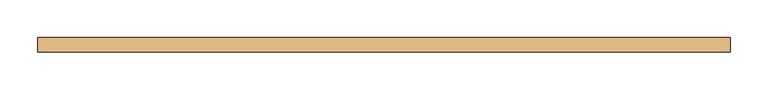
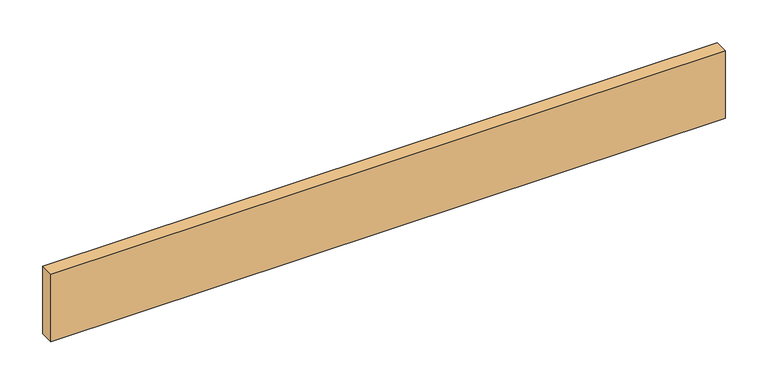
"""IFC4 building model written with IfcOpenShell, lengths in millimetres: door geometry."""

import ifcopenshell
import ifcopenshell.guid

model = None  # the IFC model being written
_history = None  # IfcOwnerHistory: only IFC2X3 demands one
_inside = {}  # id of a spatial element -> (the spatial element, [elements in it])
_under = {}  # id of a project, library or spatial element -> (it, [spatial elements below it])
_declared = {}  # id of a project -> (the project, [libraries it declares])
_typed = {}  # id of a type object -> (the type object, [elements of that type])
_made_of = {}  # id of a material, layer set ... -> (it, [elements and type objects made of it])


def new_model(schema):
    """Start an empty IFC model of exactly this schema.

    Asked for "IFC4X3", IfcOpenShell would pick the latest addendum, in which some entities
    have other attributes; the version numbers below select the first issue.
    IFC2X3 requires an IfcOwnerHistory on every rooted entity: one is made here for all.
    """
    global model, _history
    if schema == "IFC4X3":
        model = ifcopenshell.file(schema_version=(4, 3, 0, 0))
    else:
        model = ifcopenshell.file(schema=schema)
    _inside.clear()
    _under.clear()
    _declared.clear()
    _typed.clear()
    _made_of.clear()
    _history = None
    if model.schema == "IFC2X3":
        org = make("IfcOrganization", Name="unknown")
        user = make(
            "IfcPersonAndOrganization",
            ThePerson=make("IfcPerson", FamilyName="unknown"),
            TheOrganization=org,
        )
        app = make(
            "IfcApplication",
            ApplicationDeveloper=org,
            Version="unknown",
            ApplicationFullName="unknown",
            ApplicationIdentifier="unknown",
        )
        _history = make(
            "IfcOwnerHistory",
            OwningUser=user,
            OwningApplication=app,
            ChangeAction="ADDED",
            CreationDate=0,
        )
    return model


def make(cls, **values):
    """One entity of the class cls with the attributes given. An attribute that is None is left unset."""
    return model.create_entity(
        cls, **{name: value for name, value in values.items() if value is not None}
    )


def rooted(cls, **values):
    """An entity with a GlobalId (a new one), such as an element, a storey or a relation."""
    return make(cls, GlobalId=ifcopenshell.guid.new(), OwnerHistory=_history, **values)


def si_unit(unit_type, name, prefix=None):
    """IfcSIUnit, for example si_unit("LENGTHUNIT", "METRE", prefix="MILLI")."""
    return make("IfcSIUnit", UnitType=unit_type, Prefix=prefix, Name=name)


def assignment(units):
    """IfcUnitAssignment: the units of a project."""
    return None if units is None else make("IfcUnitAssignment", Units=units)


def point(xyz):
    """IfcCartesianPoint."""
    return None if xyz is None else make("IfcCartesianPoint", Coordinates=xyz)


def direction(xyz):
    """IfcDirection."""
    return None if xyz is None else make("IfcDirection", DirectionRatios=xyz)


def frame(location, z_axis=None, x_axis=None):
    """IfcAxis2Placement3D, a coordinate frame: its origin and axes. An axis left out is left unset."""
    return make(
        "IfcAxis2Placement3D",
        Location=point(location),
        Axis=direction(z_axis),
        RefDirection=direction(x_axis),
    )


def origin():
    """The frame at (0, 0, 0) with its axes left unset."""
    return frame((0.0, 0.0, 0.0))


def origin_with_axes():
    """The frame at (0, 0, 0) with the z axis (0, 0, 1) and the x axis (1, 0, 0) written out."""
    return frame((0.0, 0.0, 0.0), z_axis=(0.0, 0.0, 1.0), x_axis=(1.0, 0.0, 0.0))


def place(relative_to, where):
    """IfcLocalPlacement: puts the frame where relative to a parent placement (None: the world)."""
    return make(
        "IfcLocalPlacement", PlacementRelTo=relative_to, RelativePlacement=where
    )


def context(
    kind, dimensions, precision=None, world=None, true_north=None, identifier=None
):
    """IfcGeometricRepresentationContext, for example the 3D "Model" context."""
    return make(
        "IfcGeometricRepresentationContext",
        ContextIdentifier=identifier,
        ContextType=kind,
        CoordinateSpaceDimension=dimensions,
        Precision=precision,
        WorldCoordinateSystem=world,
        TrueNorth=true_north,
    )


def project(units=None, contexts=None):
    """IfcProject with its units and contexts."""
    return rooted(
        "IfcProject",
        Name="project",
        RepresentationContexts=contexts,
        UnitsInContext=assignment(units),
    )


def spatial(cls, under=None, at=None, **own):
    """A site, building, storey or space (cls), placed at a placement, below another one or the project."""
    s = rooted(cls, ObjectPlacement=at, **own)
    if under is not None:
        _under.setdefault(under.id(), (under, []))[1].append(s)
    return s


def polyline(points):
    """IfcPolyline through the points."""
    return make("IfcPolyline", Points=[point(p) for p in points])


def outline(outer, holes=None, kind="AREA"):
    """IfcArbitraryClosedProfileDef: a profile drawn as a closed curve; with holes, ...WithVoids."""
    if holes is None:
        return make("IfcArbitraryClosedProfileDef", ProfileType=kind, OuterCurve=outer)
    return make(
        "IfcArbitraryProfileDefWithVoids",
        ProfileType=kind,
        OuterCurve=outer,
        InnerCurves=holes,
    )


def extrude(swept, where, along, depth):
    """IfcExtrudedAreaSolid: the profile swept, set in the frame where, extruded along a direction by depth."""
    return make(
        "IfcExtrudedAreaSolid",
        SweptArea=swept,
        Position=where,
        ExtrudedDirection=direction(along),
        Depth=depth,
    )


def shape(context_of_items, identifier, shape_type, items):
    """IfcShapeRepresentation: the items that make up one representation, for example the "Body"."""
    return make(
        "IfcShapeRepresentation",
        ContextOfItems=context_of_items,
        RepresentationIdentifier=identifier,
        RepresentationType=shape_type,
        Items=items,
    )


def source(mapping_origin, context_of_items, identifier, shape_type, items):
    """IfcRepresentationMap: a shape defined once, which mapped items show again and again."""
    return make(
        "IfcRepresentationMap",
        MappingOrigin=mapping_origin,
        MappedRepresentation=shape(context_of_items, identifier, shape_type, items),
    )


def transform(
    local_origin,
    x_axis=None,
    y_axis=None,
    z_axis=None,
    scale=None,
    scale2=None,
    scale3=None,
    uniform=True,
):
    """IfcCartesianTransformationOperator3D, or its non-uniform kind. x_axis, y_axis, z_axis: its Axis1, 2, 3."""
    if uniform:
        return make(
            "IfcCartesianTransformationOperator3D",
            Axis1=direction(x_axis),
            Axis2=direction(y_axis),
            LocalOrigin=point(local_origin),
            Scale=scale,
            Axis3=direction(z_axis),
        )
    return make(
        "IfcCartesianTransformationOperator3DnonUniform",
        Axis1=direction(x_axis),
        Axis2=direction(y_axis),
        LocalOrigin=point(local_origin),
        Scale=scale,
        Axis3=direction(z_axis),
        Scale2=scale2,
        Scale3=scale3,
    )


def mapped(mapping_source, mapping_target):
    """IfcMappedItem: shows the shape of a source again, moved by a transform."""
    return make(
        "IfcMappedItem", MappingSource=mapping_source, MappingTarget=mapping_target
    )


def made_of(thing, what):
    """Note that an element or type object is made of a material, layer set ...; save() writes the relation."""
    if what is not None:
        _made_of.setdefault(what.id(), (what, []))[1].append(thing)
    return thing


def element(
    cls,
    number,
    at=None,
    inside=None,
    cuts=None,
    type_object=None,
    material=None,
    context=None,
    identifier="Body",
    shape_type=None,
    held_by="IfcProductDefinitionShape",
    body=None,
    shapes=None,
    **own,
):
    """One element of the class cls, such as IfcWall. Its Tag is "e" and its number.

    at: its placement. inside: the storey or other place that contains it. cuts: it is an
    opening in that element (IfcRelVoidsElement). A single representation is given by context,
    identifier, shape_type and body (its items); several are given by shapes. held_by: the class
    of the entity that holds the representations. save() writes the other relations.
    """
    e = rooted(cls, Tag="e%d" % number, ObjectPlacement=at, **own)
    if body is not None:
        shapes = [shape(context, identifier, shape_type, body)]
    if shapes is not None:
        e.Representation = make(held_by, Representations=shapes)
    if inside is not None:
        _inside.setdefault(inside.id(), (inside, []))[1].append(e)
    if cuts is not None:
        rooted(
            "IfcRelVoidsElement", RelatingBuildingElement=cuts, RelatedOpeningElement=e
        )
    if type_object is not None:
        _typed.setdefault(type_object.id(), (type_object, []))[1].append(e)
    return made_of(e, material)


def aggregate(whole, parts):
    """IfcRelAggregates: a whole, such as a stair, and the parts it consists of."""
    return rooted("IfcRelAggregates", RelatingObject=whole, RelatedObjects=parts)


def save(model, path):
    """Write the relations noted so far, then the file.

    IfcRelAggregates (storeys below a building ...), IfcRelContainedInSpatialStructure (elements
    in a storey), IfcRelDefinesByType, IfcRelAssociatesMaterial and IfcRelDeclares: one each for
    every whole, place, type object, material and project.
    """
    for whole, parts in _under.values():
        aggregate(whole, parts)
    for where, things in _inside.values():
        rooted(
            "IfcRelContainedInSpatialStructure",
            RelatedElements=things,
            RelatingStructure=where,
        )
    for kind, things in _typed.values():
        rooted("IfcRelDefinesByType", RelatedObjects=things, RelatingType=kind)
    for what, things in _made_of.values():
        rooted("IfcRelAssociatesMaterial", RelatedObjects=things, RelatingMaterial=what)
    for by, libraries in _declared.values():
        rooted("IfcRelDeclares", RelatingContext=by, RelatedDefinitions=libraries)
    model.write(path)


def door_c7264a53(model_context):
    return source(origin(), model_context, "Body", "SweptSolid", [
        extrude(outline(polyline([(455.3204, 0.0), (-455.3204, 0.0), (-455.3204, 19.05), (455.3204, 19.05), (455.3204, 0.0)])), origin_with_axes(), (0.0, 0.0, 1.0), 96.52),
    ])


if __name__ == "__main__":
    model = new_model("IFC4")
    model_context = context("Model", 3, world=origin())
    ifc_project = project(units=[si_unit("LENGTHUNIT", "METRE", prefix="MILLI")], contexts=[model_context])
    site = spatial("IfcSite", under=ifc_project)
    building = spatial("IfcBuilding", under=site)
    placement = place(None, origin())
    door_shape = door_c7264a53(model_context)
    element("IfcDoor", 1, at=placement, inside=building, context=model_context, shape_type="MappedRepresentation", body=[
        mapped(door_shape, transform((0.0, 0.0, 0.0), x_axis=(1.0, 0.0, 0.0), y_axis=(0.0, 1.0, 0.0), z_axis=(0.0, 0.0, 1.0))),
    ])
    save(model, "model.ifc")
